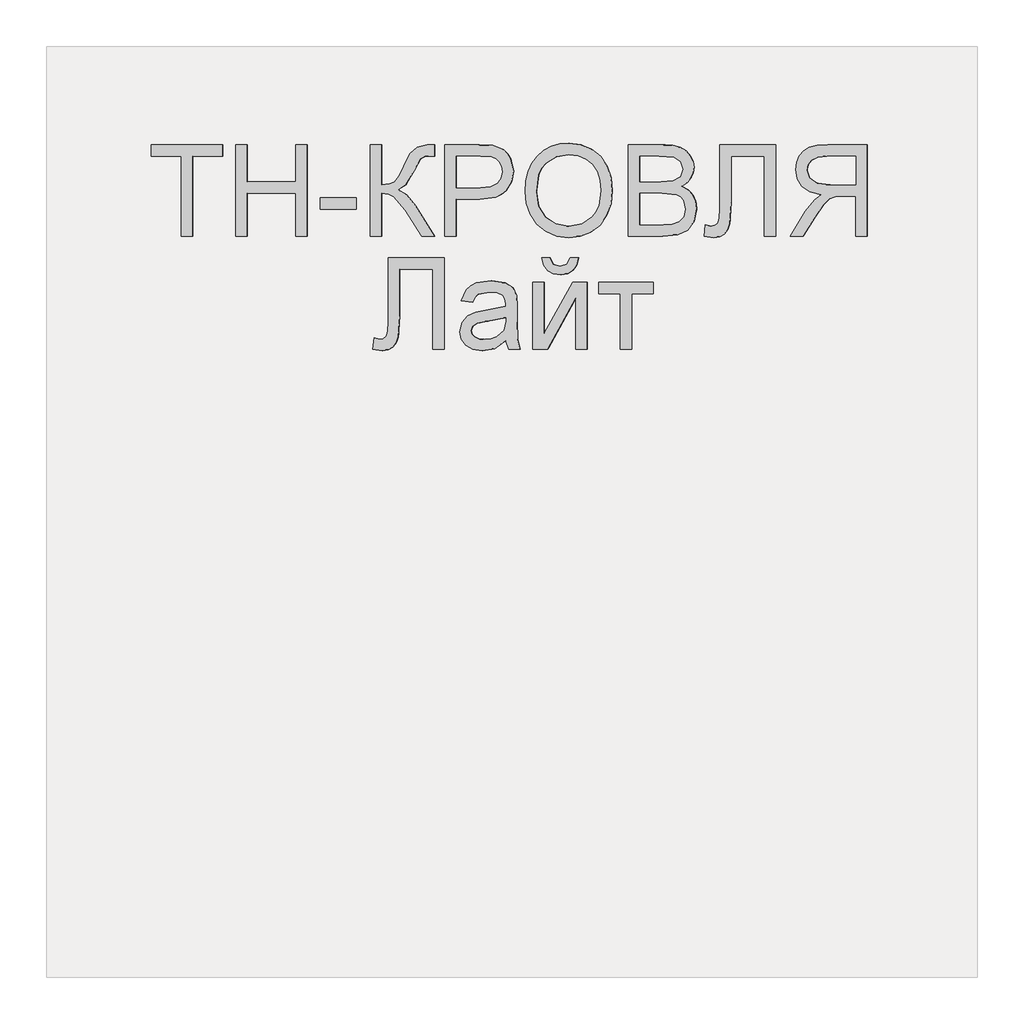
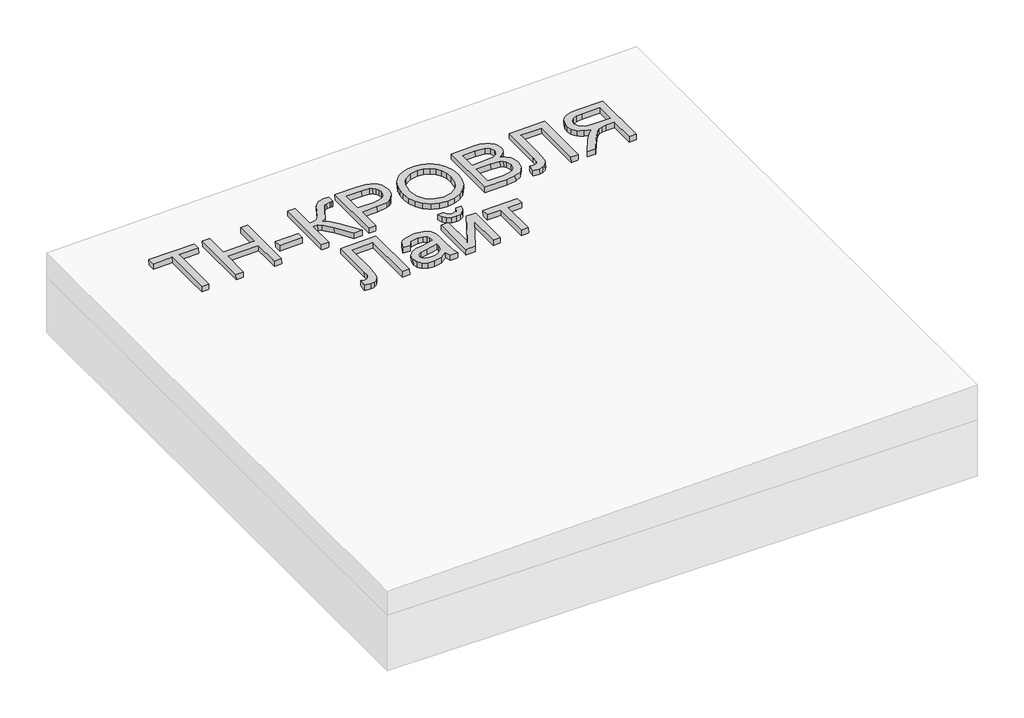
# One storey, part 3 of 3: 1 proxy.
"""IFC4 building model written with IfcOpenShell, lengths in millimetres."""

from ifc_helpers import new_model, si_unit, frame, origin, place, context, project, spatial, polyline, outline, extrude, element, save

model = new_model("IFC4")

# Units and contexts
model_context = context("Model", 3, world=origin())
ifc_project = project(units=[si_unit("LENGTHUNIT", "METRE", prefix="MILLI")], contexts=[model_context])

# Site, building, storey
site = spatial("IfcSite", under=ifc_project)
building = spatial("IfcBuilding", under=site)
storey = spatial("IfcBuildingStorey", under=building, Elevation=0.0)

# Proxy
placement = place(None, origin())
element("IfcBuildingElementProxy", 1, Name="Generic Models", at=placement, inside=storey, context=model_context, shape_type="SweptSolid", body=[
    extrude(outline(polyline([(24.6153846, 0.0), (24.6153846, -172.3076923), (89.2307692, -172.3076923), (89.2307692, -196.9230769), (-64.6153847, -196.9230769), (-64.6153847, -172.3076923), (0.0, -172.3076923), (0.0, 0.0), (24.6153846, 0.0)])), frame((37021.1965981, -4710.2316754, 92.2960201), z_axis=(-0.01999600119956399, 0.0, 0.9998000599800078), x_axis=(-0.9998000599800078, 0.0, -0.01999600119956399)), (0.0, 0.0, 1.0), 20.0),
    extrude(outline(polyline([(24.6153847, 0.0), (24.6153847, -196.9230769), (0.0, -196.9230769), (0.0, -116.9230769), (-104.6153846, -116.9230769), (-104.6153846, -196.9230769), (-129.2307692, -196.9230769), (-129.2307692, 0.0), (-104.6153846, 0.0), (-104.6153846, -92.3076923), (0.0, -92.3076923), (0.0, 0.0), (24.6153847, 0.0)])), frame((37138.0962975, -4710.2316754, 94.634014), z_axis=(-0.01999600119956399, 0.0, 0.9998000599800078), x_axis=(-0.9998000599800078, 0.0, -0.01999600119956399)), (0.0, 0.0, 1.0), 20.0),
    extrude(outline(polyline([(76.9230769, 0.0), (76.9230769, -24.6153846), (0.0, -24.6153846), (0.0, 0.0), (76.9230769, 0.0)])), frame((37371.8956961, -4651.7701369, 99.310002), z_axis=(-0.01999600119956399, 0.0, 0.9998000599800078), x_axis=(-0.9998000599800078, 0.0, -0.01999600119956399)), (0.0, 0.0, 1.0), 20.0),
    extrude(outline(polyline([(196.9230769, 0.0), (196.9230769, -24.6153846), (110.7692308, -24.6153846), (112.3978365, -41.280048), (117.2836538, -52.1394231), (128.7800481, -60.9194711), (150.2403846, -71.3461539), (177.7644231, -84.9278846), (191.3942308, -100.3125), (196.9230769, -122.3076923), (196.6346154, -138.4615384), (172.0192308, -138.4615384), (172.1634615, -133.0288461), (172.3076923, -127.5961538), (170.8293269, -116.3221153), (166.3942308, -108.3653846), (141.0576923, -93.75), (110.1923077, -76.3221153), (100.0, -59.326923), (88.8701923, -78.3293269), (65.6730769, -97.0673076), (0.0, -138.4615384), (0.0, -109.9038461), (55.4807692, -74.9038462), (84.4471154, -50.2644231), (90.3425481, -38.8882211), (92.3076923, -24.6153846), (0.0, -24.6153846), (0.0, 0.0), (196.9230769, 0.0)])), frame((37402.6587749, -4710.2316754, 99.9252636), z_axis=(-0.019996001199563986, 0.0, 0.9998000599800078), x_axis=(0.0, 1.0, 0.0)), (0.0, 0.0, 1.0), 20.0),
    extrude(outline(polyline([(24.6153846, 0.0), (24.6153846, -196.9230769), (-48.3653846, -196.9230769), (-77.7884615, -195.0480769), (-101.7067307, -185.8413461), (-110.4026442, -177.6802885), (-117.2115385, -166.8028846), (-123.0769231, -139.9519231), (-119.1165866, -116.7427885), (-107.2355769, -97.4038461), (-97.7208533, -89.7896635), (-85.0180288, -84.3509615), (-50.0480769, -80.0), (0.0, -80.0), (0.0, 0.0), (24.6153846, 0.0)]), holes=[polyline([(0.0, -104.6153846), (-51.4903846, -104.6153846), (-73.3173077, -106.875), (-87.7403846, -113.6538461), (-95.78125, -124.53125), (-98.4615384, -139.0865385), (-96.8810096, -150.1442308), (-92.1394231, -159.4711538), (-84.8257212, -166.4903846), (-75.5288461, -170.625), (-50.9134615, -172.3076923), (0.0, -172.3076923), (0.0, -104.6153846)])]), frame((37587.2372475, -4710.2316754, 103.616833), z_axis=(-0.01999600119956399, 0.0, 0.9998000599800078), x_axis=(-0.9998000599800078, 0.0, -0.01999600119956399)), (0.0, 0.0, 1.0), 20.0),
    extrude(outline(polyline([(25.3428445, -1e-07), (48.1160484, -4.1938573), (67.8912361, -11.3545774), (84.6684074, -21.48216), (98.4475626, -34.5766053), (108.9049086, -49.9093782), (115.7166524, -66.7519435), (118.8827941, -85.1043011), (118.4033337, -104.9664512), (112.3116986, -130.2760815), (100.0658902, -152.2136344), (82.4868293, -169.6009172), (60.3954366, -181.2597367), (34.812491, -187.0380148), (6.7587717, -186.783673), (-21.0136463, -180.6528553), (-44.9882084, -168.8870738), (-63.9421569, -152.1247695), (-76.6527338, -131.0043836), (-83.1347827, -107.1750808), (-83.4031474, -82.2860261), (-77.1659621, -56.5935493), (-64.600884, -34.5586152), (-46.7404789, -17.2511253), (-24.6173127, -5.740981), (0.0, 0.0), (25.3428445, -1e-07)]), holes=[polyline([(22.3721769, -24.4366545), (-8.7890431, -25.9094148), (-33.7562618, -37.9787803), (-50.9832576, -58.3865327), (-58.9238091, -84.8744542), (-57.0179297, -112.8610055), (-44.5775814, -136.6179286), (-34.5460353, -146.3414542), (-22.1589798, -153.8699217), (9.6816594, -162.341683), (31.570013, -162.6815636), (50.9840871, -158.5364568), (67.4340475, -150.0149318), (80.43006, -137.2255582), (89.4380632, -121.0520254), (93.9239955, -102.3780232), (92.2935561, -75.5530128), (81.0850249, -51.6494365), (71.4163804, -41.5325654), (58.4080243, -33.6248114), (22.3721769, -24.4366545)])]), frame((37737.7119632, -4639.5525889, 106.6263274), z_axis=(-0.01999600119956399, 0.0, 0.9998000599800078), x_axis=(-0.11095588221402986, 0.9938228553011785, -0.002219117644276566)), (0.0, 0.0, 1.0), 20.0),
    extrude(outline(polyline([(74.5673077, 0.0), (74.5673077, -196.9230769), (-0.5769231, -196.9230769), (-21.2439904, -195.4747596), (-37.3798077, -191.1298077), (-49.7475961, -183.7800481), (-59.110577, -173.3173077), (-65.0060096, -161.0096154), (-66.9711538, -148.125), (-65.3185096, -136.2680288), (-60.3605769, -125.1201923), (-52.0612981, -115.3665865), (-40.3846154, -107.6923077), (-54.3329327, -100.4086538), (-64.6394231, -89.3269231), (-71.0036058, -75.1802885), (-73.125, -58.7019231), (-67.3317308, -32.2355769), (-52.9807693, -13.3894231), (-31.5625, -3.3894231), (0.0, 0.0), (74.5673077, 0.0)]), holes=[polyline([(49.9519231, -116.9230769), (5.0, -116.9230769), (-21.25, -119.0384615), (-37.0432692, -128.1490385), (-42.3557692, -144.1826923), (-37.4038461, -160.2403846), (-23.2211538, -169.7355769), (8.4134615, -172.3076923), (49.9519231, -172.3076923), (49.9519231, -116.9230769)]), polyline([(49.9519231, -24.6153846), (-0.5288461, -24.6153846), (-18.7980769, -25.5769231), (-34.2548077, -30.9375), (-44.4951923, -41.875), (-48.5096154, -58.4615385), (-43.7980769, -77.5961538), (-37.626202, -84.5132211), (-28.5336538, -89.0144231), (1.875, -92.3076923), (49.9519231, -92.3076923), (49.9519231, -24.6153846)])]), frame((38030.9465914, -4710.2316754, 112.4910199), z_axis=(-0.019996001199563986, 0.0, 0.9998000599800078), x_axis=(-0.9998000599800078, 0.0, -0.019996001199563986)), (0.0, 0.0, 1.0), 20.0),
    extrude(outline(polyline([(137.6442308, 0.0), (137.6442308, -120.0), (-59.2788461, -120.0), (-59.2788461, -95.3846154), (113.0288462, -95.3846154), (113.0288462, -24.6153846), (12.548077, -24.6153846), (-32.2836538, -21.7548078), (-44.951923, -17.3257212), (-54.4471153, -9.7596154), (-60.3786057, 0.6009616), (-62.3557692, 13.4134615), (-59.2788461, 33.8461538), (-34.6634615, 30.7692307), (-37.7403846, 18.9903846), (-36.0877403, 10.6670673), (-31.1298076, 4.7355769), (-20.0420673, 1.1838942), (0.0, 0.0), (137.6442308, 0.0)])), frame((38153.2778968, -4650.9528293, 114.937646), z_axis=(-0.019996001199563986, 0.0, 0.9998000599800078), x_axis=(0.0, 1.0, 0.0)), (0.0, 0.0, 1.0), 20.0),
    extrude(outline(polyline([(24.6153846, -110.7692308), (0.0, -110.7692308), (0.0, -24.6153847), (-29.7115384, -24.6153847), (-43.9903845, -25.4807693), (-55.6971154, -30.1682693), (-68.7019231, -42.9326923), (-87.2115385, -69.9519231), (-112.8365384, -110.7692308), (-141.4423077, -110.7692308), (-108.6057692, -57.4038462), (-88.6538462, -32.0673077), (-74.6634615, -21.5384616), (-98.9122596, -15.0120193), (-115.889423, -3.2211539), (-125.8954326, 12.8605769), (-129.2307692, 32.2596153), (-127.2175481, 47.8545673), (-121.1778846, 62.0432692), (-111.7668269, 73.4855769), (-99.639423, 80.8413461), (-83.046875, 84.8257211), (-60.2403846, 86.1538461), (24.6153846, 86.1538461), (24.6153846, -110.7692308)]), holes=[polyline([(0.0, 0.0), (0.0, 61.5384615), (-61.2980769, 61.5384615), (-80.7752404, 59.4110577), (-94.2067307, 53.0288461), (-102.0132211, 43.3533653), (-104.6153846, 31.3461538), (-99.1586538, 14.639423), (-83.1971153, 3.4855769), (-55.0961538, 0.0), (0.0, 0.0)])]), frame((38445.5271451, -4599.4624446, 120.782631), z_axis=(-0.01999600119956399, 0.0, 0.9998000599800078), x_axis=(0.9998000599800078, 0.0, 0.01999600119956399)), (0.0, 0.0, 1.0), 20.0),
    extrude(outline(polyline([(137.6442307, 0.0), (137.6442307, -120.0), (-59.2788462, -120.0), (-59.2788462, -95.3846154), (113.0288461, -95.3846154), (113.0288461, -24.6153846), (12.5480769, -24.6153846), (-32.2836539, -21.7548078), (-44.9519231, -17.3257212), (-54.4471154, -9.7596154), (-60.3786058, 0.6009615), (-62.3557693, 13.4134615), (-59.2788462, 33.8461538), (-34.6634616, 30.7692307), (-37.7403846, 18.9903845), (-36.0877404, 10.6670673), (-31.1298077, 4.7355769), (-20.0420673, 1.1838942), (0.0, 0.0), (137.6442307, 0.0)])), frame((37441.1126233, -4894.0297523, 100.6943406), z_axis=(-0.019996001199563986, 0.0, 0.9998000599800078), x_axis=(0.0, 1.0, 0.0)), (0.0, 0.0, 1.0), 20.0),
    extrude(outline(polyline([(19.4601703, 0.0), (11.1819963, 27.9207833), (14.9143961, 54.4732733), (24.1902839, 73.0649574), (37.3011934, 84.6897486), (52.8826325, 89.3590492), (69.5701086, 87.0842617), (86.5521477, 76.4571844), (96.0465823, 60.2429097), (98.2586564, 41.3376585), (95.0355657, 19.9618777), (89.5623928, -23.2153749), (94.7162973, -25.0853756), (105.6740455, -26.9515756), (114.1004512, -24.401229), (122.7587066, -15.3020791), (129.4557417, -0.8361792), (132.8384667, 24.2872046), (128.8153045, 32.9891694), (120.6530554, 40.8663574), (131.3561489, 63.2455532), (150.7935144, 45.5413593), (155.5977439, 34.3745663), (157.376525, 20.7448455), (151.8045309, -11.6304924), (138.2204199, -38.5478606), (122.4698447, -51.0601419), (104.2335367, -52.9377443), (83.4202766, -47.2669291), (54.3668506, -37.5824538), (13.4016719, -25.2450098), (-7.7840681, -23.3522042), (0.0, 0.0), (19.4601703, 0.0)]), holes=[polyline([(66.1645788, -15.5681361), (71.5617354, 24.4924486), (74.4731593, 45.8454244), (71.3488898, 56.9970142), (63.4279923, 63.1847402), (55.9042801, 63.7605636), (48.4755881, 60.4405521), (41.8184615, 53.1258846), (36.6094453, 41.7177399), (33.8253486, 28.7094523), (34.3213549, 16.2294779), (42.7667647, -3.5119525), (59.5967713, -13.2268344), (66.1645788, -15.5681361)])]), frame((37699.522485, -4953.3085985, 105.8625378), z_axis=(-0.01999600119956399, 0.0, 0.9998000599800078), x_axis=(-0.3161645394310612, 0.9486832980504862, -0.006323290788609769)), (0.0, 0.0, 1.0), 20.0),
    extrude(outline(polyline([(15.6311563, 0.0), (23.8078163, -16.5520583), (7.9156219, -19.9721327), (-6.0314994, -17.9672182), (-17.593669, -10.72219), (-26.3310086, 1.5780765), (-31.3680218, 17.1206028), (-30.551609, 31.5061515), (-23.9482381, 44.3265255), (-11.6243771, 55.1735276), (-3.4477171, 38.6214693), (-12.8170655, 26.2713058), (-10.7584461, 11.7375351), (0.0, 0.0), (15.6311563, 0.0)])), frame((37824.882031, -4770.3999446, 108.3697287), z_axis=(-0.019996001199563986, 0.0, 0.9998000599800079), x_axis=(0.442813863294304, 0.8965698237322978, 0.008856277265870075)), (0.0, 0.0, 1.0), 20.0),
    extrude(outline(polyline([(-66.6985356, 48.5583825), (-55.7963223, 26.4889715), (-154.6776287, -22.3580547), (-29.0092434, -27.7362611), (-14.9130222, -56.2713199), (-144.5708121, -120.3218233), (-155.4730254, -98.2524123), (-57.1951794, -49.7034935), (-182.0897572, -44.3720143), (-196.3563255, -15.4921209), (-66.6985356, 48.5583825)])), frame((37824.882031, -4770.3999446, 108.3697287), z_axis=(-0.019996001199563986, 0.0, 0.9998000599800079), x_axis=(0.442813863294304, 0.8965698237322978, 0.008856277265870075)), (0.0, 0.0, 1.0), 20.0),
    extrude(outline(polyline([(24.6153846, 0.0), (24.6153846, -116.923077), (0.0, -116.923077), (0.0, -70.7692308), (-120.0, -70.7692308), (-120.0, -46.1538462), (0.0, -46.1538462), (0.0, 0.0), (24.6153846, 0.0)])), frame((37893.3298812, -4833.3085985, 109.7386857), z_axis=(-0.019996001199563986, 0.0, 0.9998000599800078), x_axis=(0.0, 1.0, 0.0)), (0.0, 0.0, 1.0), 20.0),
])

save(model, "model.ifc")
